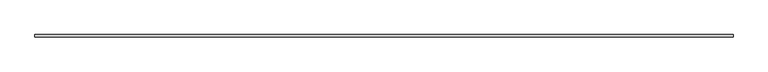
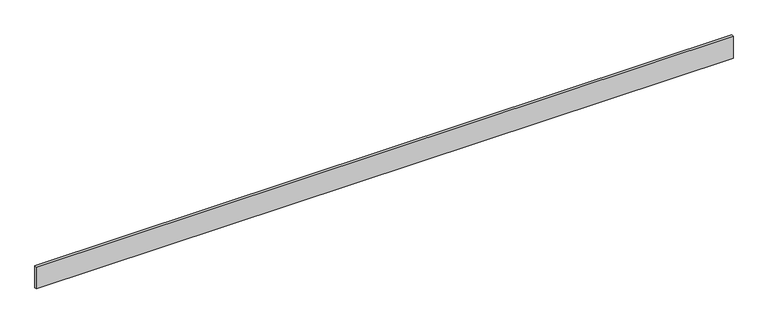
"""IFC4 building model written with IfcOpenShell, lengths in millimetres: furniture geometry."""

from ifc_helpers import new_model, si_unit, origin, origin_with_axes, place, context, project, spatial, polyline, outline, extrude, source, transform, mapped, element, save


def furniture_92a2b87d(model_context):
    return source(origin(), model_context, "Body", "SweptSolid", [
        extrude(outline(polyline([(0.0, 0.0), (0.0, 10.0), (3000.0, 10.0), (3000.0, 0.0), (0.0, 0.0)])), origin_with_axes(), (0.0, 0.0, 1.0), 100.0),
    ])


if __name__ == "__main__":
    model = new_model("IFC4")
    model_context = context("Model", 3, world=origin())
    ifc_project = project(units=[si_unit("LENGTHUNIT", "METRE", prefix="MILLI")], contexts=[model_context])
    site = spatial("IfcSite", under=ifc_project)
    building = spatial("IfcBuilding", under=site)
    placement = place(None, origin())
    furniture_shape = furniture_92a2b87d(model_context)
    element("IfcFurniture", 1, at=placement, inside=building, context=model_context, shape_type="MappedRepresentation", body=[
        mapped(furniture_shape, transform((0.0, 0.0, 0.0), x_axis=(1.0, 0.0, 0.0), y_axis=(0.0, 1.0, 0.0), z_axis=(0.0, 0.0, 1.0))),
    ])
    save(model, "model.ifc")
